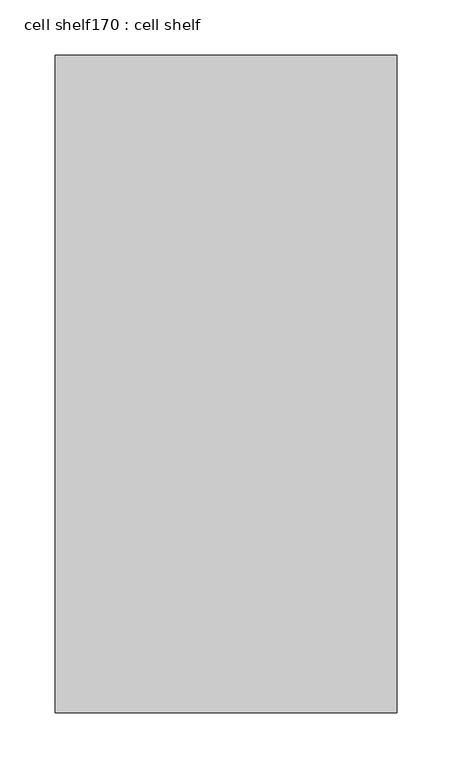
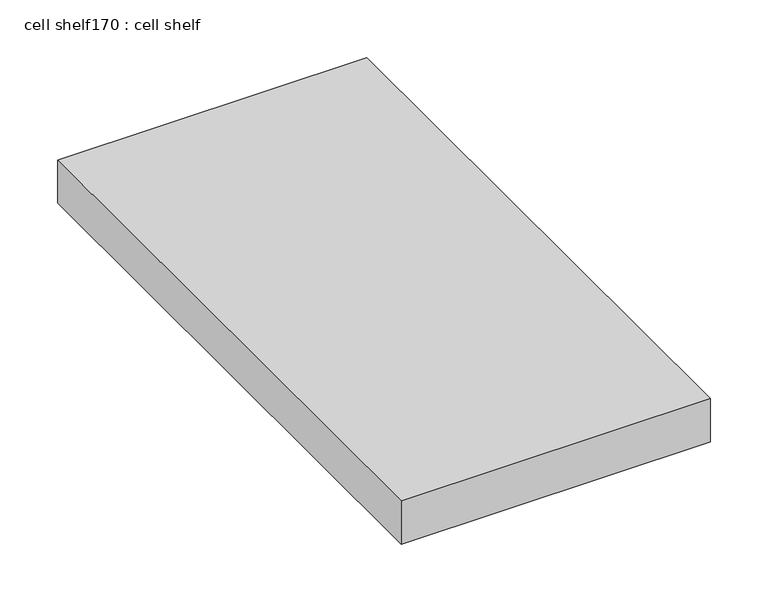
"""IFC4 building model written with IfcOpenShell, lengths in millimetres: proxy geometry, cell shelf170 : cell shelf."""

from ifc_helpers import new_model, si_unit, frame, origin, place, context, project, spatial, polyline, outline, extrude, source, transform, mapped, element, save


def cell_shelf170_cell_shelf_d90c0088(model_context):
    return source(origin(), model_context, "Body", "SweptSolid", [
        extrude(outline(polyline([(-231512.4407024, -30575.4281598), (-231512.4407024, -29980.3417641), (-231203.0929059, -29980.3417641), (-231203.0929059, -30575.4281598), (-231512.4407024, -30575.4281598)])), frame((0.0, 0.0, 1320.0941517), z_axis=(0.0, 0.0, 1.0), x_axis=(1.0, 0.0, 0.0)), (0.0, 0.0, 1.0), 45.8133004),
    ])


if __name__ == "__main__":
    model = new_model("IFC4")
    model_context = context("Model", 3, world=origin())
    ifc_project = project(units=[si_unit("LENGTHUNIT", "METRE", prefix="MILLI")], contexts=[model_context])
    site = spatial("IfcSite", under=ifc_project)
    building = spatial("IfcBuilding", under=site)
    placement = place(None, origin())
    cell_shelf170_cell_shelf_shape = cell_shelf170_cell_shelf_d90c0088(model_context)
    element("IfcBuildingElementProxy", 1, Name="cell shelf170 : cell shelf", ObjectType="cell shelf170 : cell shelf", at=placement, inside=building, context=model_context, shape_type="MappedRepresentation", body=[
        mapped(cell_shelf170_cell_shelf_shape, transform((0.0, 0.0, 0.0), x_axis=(1.0, 0.0, 0.0), y_axis=(0.0, 1.0, 0.0), z_axis=(0.0, 0.0, 1.0))),
    ])
    save(model, "model.ifc")
